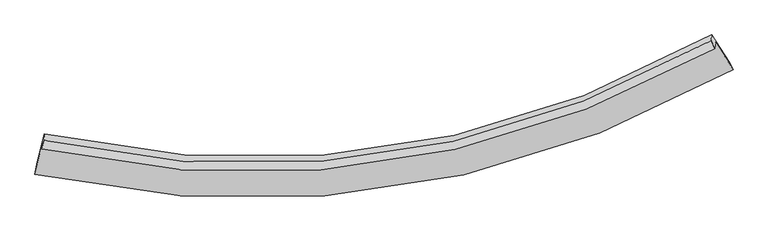
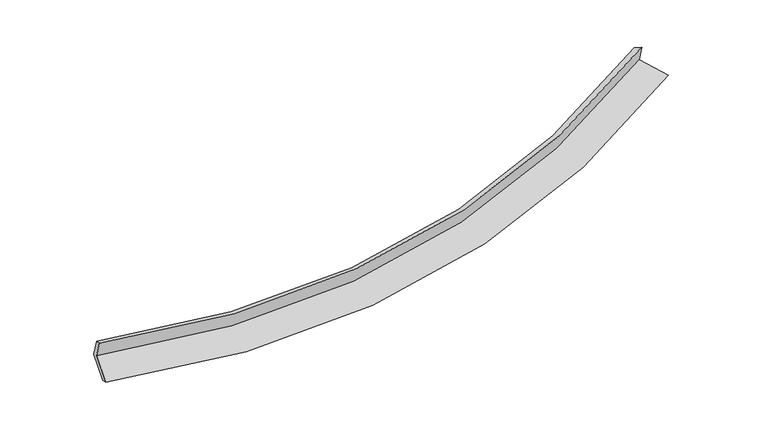
"""IFC4 building model written with IfcOpenShell, lengths in millimetres: proxy geometry."""

from ifc_helpers import new_model, si_unit, frame, origin, place, context, project, spatial, source, transform, mapped, element, save
from ifc_brep_helpers import plane_surface, spline_curve, spline_surface, advanced_brep


def generic_models_a386ed20(model_context):
    return source(origin(), model_context, "Body", "AdvancedBrep", [
        advanced_brep(
        [(-6352.6724426, -2022.4174189, 1525.667595), (-6503.3364183, -2646.4030933, 1316.6130734), (7416.2740978, -554.9445038, 2518.7051602), (7065.5977577, -13.4315507, 2683.1867625), (-6365.9300471, -2145.4326604, 1902.3979865), (7052.3168271, -136.6632314, 3060.5799924), (-6329.5850688, -1975.0784343, 1837.7919391), (6979.5670036, 18.8074739, 2983.3309585), (-6315.5722842, -1845.0559956, 1439.6022215), (6992.2304696, 136.3097968, 2623.4837103), (-6462.315636, -2452.8041245, 1235.9877804), (7350.7490424, -417.3130995, 2455.3237789)],
        [
            (0, 1),
            (1, 2, spline_curve(3, [(-6503.3364183, -2646.4030933, 1316.6130734), (-4539.447711337, -3079.34474223, 1259.713814314), (-2614.604916189, -3225.235102668, 1290.574410095), (2072.371812798, -2874.39245025, 1585.394755996), (4787.399190168, -2031.34922625, 1955.231522971), (7416.2740978, -554.9445038, 2518.7051602)], [4, 2, 4], [0.0, 18.66536233321038, 46.39106136062732])),
            (2, 3),
            (3, 0, spline_curve(3, [(7065.5977577, -13.4315507, 2683.1867625), (4529.85208312, -1426.378974144, 2134.042199049), (1911.985940944, -2234.070854323, 1775.277674659), (-2605.672727855, -2572.790409021, 1493.534194225), (-4460.563318354, -2434.760486012, 1466.45899569), (-6352.6724426, -2022.4174189, 1525.667595)], [4, 2, 4], [0.0, 27.72569902741694, 46.39106136062732])),
            (4, 0),
            (3, 5),
            (5, 4, spline_curve(3, [(7052.3168271, -136.6632314, 3060.5799924), (4516.641605787, -1548.956929986, 2509.433417486), (1898.806586839, -2356.36001453, 2149.784468295), (-2618.865809846, -2695.20696113, 1868.431115999), (-4473.779749546, -2557.393685943, 1842.019396968), (-6365.9300471, -2145.4326604, 1902.3979865)], [4, 2, 4], [0.0, 27.21283095102246, 45.5329226937394])),
            (6, 4),
            (5, 7),
            (7, 6, spline_curve(3, [(6979.5670036, 18.8074739, 2983.3309585), (4465.308448804, -1392.195451947, 2436.737141885), (1869.079492652, -2197.307127118, 2080.425292384), (-2612.124412022, -2530.645769282, 1802.621570971), (-4452.279480193, -2390.162730717, 1777.087079629), (-6329.5850688, -1975.0784343, 1837.7919391)], [4, 2, 4], [0.0, 27.10671434175799, 45.35536676893109])),
            (8, 6),
            (7, 9),
            (9, 8, spline_curve(3, [(6992.2304696, 136.3097968, 2623.4837103), (4477.978690592, -1274.630262427, 2076.697365861), (1881.91311317, -2078.225966299, 1715.742901706), (-2598.755390442, -2406.596706204, 1422.725132455), (-4438.624065271, -2263.456267266, 1389.052433027), (-6315.5722842, -1845.0559956, 1439.6022215)], [4, 2, 4], [0.0, 27.000757158025085, 45.1780775973473])),
            (10, 8),
            (9, 11),
            (11, 10, spline_curve(3, [(7350.7490424, -417.3130995, 2455.3237789), (4738.281836896, -1886.602540129, 1886.028061978), (2042.541688356, -2720.119303208, 1511.795687513), (-2607.345290914, -3050.987713521, 1212.007339235), (-4515.960035174, -2895.967959091, 1179.794380239), (-6462.315636, -2452.8041245, 1235.9877804)], [4, 2, 4], [0.0, 27.514145211071337, 46.03708629707856])),
            (1, 10),
            (11, 2),
        ],
        [
            spline_surface(3, 3, [[(-6352.6724426, -2022.4174189, 1525.667595), (-4460.563318272, -2434.760485856, 1466.458995503), (-2605.672727576, -2572.790409314, 1493.534193984), (1911.985940529, -2234.070853887, 1775.277675018), (4529.852083247, -1426.378974367, 2134.042199034), (7065.5977577, -13.4315507, 2683.1867625)], [(-6402.893767811, -2230.412643673, 1455.982754448), (-4486.858115941, -2649.621904606, 1397.543935055), (-2608.650123869, -2790.271973869, 1425.880932579), (1965.447898047, -2447.511385904, 1711.983368785), (4615.701118914, -1628.035724885, 2074.438640351), (7182.489871067, -193.935868389, 2628.359561729)], [(-6453.115093089, -2438.407868527, 1386.297913952), (-4513.152913678, -2864.483323437, 1328.628874663), (-2611.627520118, -3007.753538363, 1358.227671239), (2018.909855609, -2660.951917861, 1648.689062617), (4701.550154581, -1829.692475436, 2014.835081681), (7299.381984433, -374.440186111, 2573.532360971)], [(-6503.3364183, -2646.4030933, 1316.6130734), (-4539.447711347, -3079.344742187, 1259.713814215), (-2614.604916411, -3225.235102918, 1290.574409834), (2072.371813128, -2874.392449879, 1585.394756383), (4787.399190248, -2031.349225954, 1955.231522998), (7416.2740978, -554.9445038, 2518.7051602)]], [4, 4], [4, 2, 4], [0.0, 2.2278601556292013], [0.0, 18.66536233321038, 46.39106136062732]),
            spline_surface(3, 3, [[(-6365.9300471, -2145.4326604, 1902.3979865), (-4473.779749381, -2557.393685899, 1842.019396797), (-2618.865810067, -2695.206960836, 1868.43111623), (1898.806587167, -2356.360014966, 2149.784467952), (4516.641605897, -1548.956930366, 2509.433417154), (7052.3168271, -136.6632314, 3060.5799924)], [(-6361.510845594, -2104.427579927, 1776.821189358), (-4469.374272338, -2516.515952578, 1716.83259639), (-2614.468115904, -2654.401443645, 1743.465475498), (1903.199704953, -2315.596961256, 2024.948870324), (4521.045098352, -1508.097611726, 2384.303011141), (7056.743803972, -95.586004526, 2934.782249127)], [(-6357.091644106, -2063.422499373, 1651.244392142), (-4464.968795315, -2475.638219177, 1591.64579591), (-2610.070421739, -2613.595926506, 1618.499834715), (1907.592822743, -2274.833907597, 1900.113272646), (4525.448590792, -1467.238293007, 2259.172605047), (7061.170780828, -54.508777574, 2808.984505773)], [(-6352.6724426, -2022.4174189, 1525.667595), (-4460.563318272, -2434.760485856, 1466.458995503), (-2605.672727576, -2572.790409314, 1493.534193984), (1911.985940529, -2234.070853887, 1775.277675018), (4529.852083247, -1426.378974367, 2134.042199034), (7065.5977577, -13.4315507, 2683.1867625)]], [4, 4], [4, 2, 4], [0.0, 1.2939851940025346], [0.0, 18.32009174271694, 45.5329226937394]),
            spline_surface(3, 3, [[(-6329.5850688, -1975.0784343, 1837.7919391), (-4452.279480229, -2390.162730894, 1777.08707988), (-2612.124412281, -2530.645769471, 1802.621570786), (1869.079493038, -2197.307126838, 2080.425292659), (4465.308449229, -1392.195452187, 2436.737141552), (6979.5670036, 18.8074739, 2983.3309585)], [(-6341.700061593, -2031.863176326, 1859.327288237), (-4459.446236639, -2445.906382555, 1798.731185523), (-2614.371544853, -2585.499499922, 1824.558085908), (1878.988524438, -2250.324756209, 2103.54501773), (4482.41950144, -1444.449278234, 2460.969233422), (7003.816944755, -33.016094521, 3009.08063647)], [(-6353.815054307, -2088.647918374, 1880.862637363), (-4466.612992971, -2501.650034238, 1820.375291154), (-2616.618677496, -2640.353230386, 1846.494601108), (1888.897555767, -2303.342385594, 2126.66474288), (4499.530553686, -1496.703104319, 2485.201325284), (7028.066885945, -84.839662979, 3034.83031443)], [(-6365.9300471, -2145.4326604, 1902.3979865), (-4473.779749381, -2557.393685899, 1842.019396797), (-2618.865810067, -2695.206960836, 1868.43111623), (1898.806587167, -2356.360014966, 2149.784467952), (4516.641605897, -1548.956930366, 2509.433417154), (7052.3168271, -136.6632314, 3060.5799924)]], [4, 4], [4, 2, 4], [0.0, 0.5765454691483097], [0.0, 18.248652427173102, 45.35536676893109]),
            spline_surface(3, 3, [[(-6315.5722842, -1845.0559956, 1439.6022215), (-4438.624065031, -2263.456267052, 1389.052433242), (-2598.75539073, -2406.596706436, 1422.725132419), (1881.913113599, -2078.225965954, 1715.742901759), (4477.97869052, -1274.630262423, 2076.697365514), (6992.2304696, 136.3097968, 2623.4837103)], [(-6320.243212374, -1888.396808505, 1572.33212734), (-4443.175870071, -2305.691755005, 1518.397315429), (-2603.211731262, -2447.946394124, 1549.357278551), (1877.635240064, -2117.919686258, 1837.303698735), (4473.755276756, -1313.818659013, 2196.710624167), (6988.009314267, 97.142355832, 2743.432793007)], [(-6324.914140626, -1931.737621395, 1705.06203326), (-4447.727675188, -2347.927242941, 1647.742197694), (-2607.66807175, -2489.296081783, 1675.989424655), (1873.357366573, -2157.613406534, 1958.864495683), (4469.531862993, -1353.007055597, 2316.7238829), (6983.788158933, 57.974914868, 2863.381875793)], [(-6329.5850688, -1975.0784343, 1837.7919391), (-4452.279480229, -2390.162730894, 1777.08707988), (-2612.124412281, -2530.645769471, 1802.621570786), (1869.079493038, -2197.307126838, 2080.425292659), (4465.308449229, -1392.195452187, 2436.737141552), (6979.5670036, 18.8074739, 2983.3309585)]], [4, 4], [4, 2, 4], [0.0, 1.2765783896869385], [0.0, 18.177320439322212, 45.1780775973473]),
            spline_surface(3, 3, [[(-6462.315636, -2452.8041245, 1235.9877804), (-4515.960034991, -2895.967958986, 1179.794380386), (-2607.345291025, -3050.987713421, 1212.007339027), (2042.54168852, -2720.119303357, 1511.795687822), (4738.28183735, -1886.602540533, 1886.028062005), (7350.7490424, -417.3130995, 2455.3237789)], [(-6413.401185423, -2250.22141487, 1303.859260789), (-4490.18137836, -2685.130728345, 1249.547064694), (-2604.481990917, -2836.190711104, 1282.246603495), (1988.998830223, -2506.154857567, 1579.778092472), (4651.514121738, -1682.611781145, 1949.584496527), (7231.242851465, -232.772134049, 2511.377089385)], [(-6364.486734777, -2047.63870523, 1371.730741111), (-4464.402721661, -2474.293497693, 1319.299748934), (-2601.618690838, -2621.393708753, 1352.485867951), (1935.455971896, -2292.190411744, 1647.760497109), (4564.746406132, -1478.621021811, 2013.140930993), (7111.736660535, -48.231168651, 2567.430399815)], [(-6315.5722842, -1845.0559956, 1439.6022215), (-4438.624065031, -2263.456267052, 1389.052433242), (-2598.75539073, -2406.596706436, 1422.725132419), (1881.913113599, -2078.225965954, 1715.742901759), (4477.97869052, -1274.630262423, 2076.697365514), (6992.2304696, 136.3097968, 2623.4837103)]], [4, 4], [4, 2, 4], [0.0, 2.2350440513122662], [0.0, 18.522941086007222, 46.03708629707856]),
            spline_surface(3, 3, [[(-6503.3364183, -2646.4030933, 1316.6130734), (-4539.447711347, -3079.344742187, 1259.713814215), (-2614.604916411, -3225.235102918, 1290.574409834), (2072.371813128, -2874.392449879, 1585.394756383), (4787.399190248, -2031.349225954, 1955.231522998), (7416.2740978, -554.9445038, 2518.7051602)], [(-6489.662824205, -2581.870103699, 1289.737975728), (-4531.618485901, -3018.219147786, 1233.074002933), (-2612.185041286, -3167.152639733, 1264.385386249), (2062.428438255, -2822.968067685, 1560.861733547), (4771.026739291, -1983.100330827, 1932.16370265), (7394.432412675, -509.067369047, 2497.578033083)], [(-6475.989230095, -2517.337114101, 1262.862878072), (-4523.789260437, -2957.093553387, 1206.434191667), (-2609.76516615, -3109.070176606, 1238.196362612), (2052.485063393, -2771.54368555, 1536.328710658), (4754.654288308, -1934.851435659, 1909.095882353), (7372.590727525, -463.190234253, 2476.450906017)], [(-6462.315636, -2452.8041245, 1235.9877804), (-4515.960034991, -2895.967958986, 1179.794380386), (-2607.345291025, -3050.987713421, 1212.007339027), (2042.54168852, -2720.119303357, 1511.795687822), (4738.28183735, -1886.602540533, 1886.028062005), (7350.7490424, -417.3130995, 2455.3237789)]], [4, 4], [4, 2, 4], [0.0, 0.584474685627155], [0.0, 18.939509481012696, 47.07242917596888]),
            plane_surface(frame((7142.7891997, -161.2058525, 2720.7683938), z_axis=(0.8493846421242762, 0.4921570595280585, 0.19059684803298937), x_axis=(-0.03343423662496357, -0.3102310590241267, 0.9500730718413584))),
            plane_surface(frame((-6388.2353162, -2181.1986212, 1543.0100993), z_axis=(-0.9742054245064456, 0.22238351521360986, 0.038332271305705906), x_axis=(0.22317245054784043, 0.9242847300361219, 0.30966400362090035))),
        ],
        [
            (0, [[1, 2, 3, 4]]),
            (1, [[5, -4, 6, 7]]),
            (2, [[8, -7, 9, 10]]),
            (3, [[11, -10, 12, 13]]),
            (4, [[14, -13, 15, 16]]),
            (5, [[17, -16, 18, -2]]),
            (6, [[-12, -9, -6, -3, -18, -15]]),
            (7, [[-1, -5, -8, -11, -14, -17]]),
        ],
    ),
    ])


if __name__ == "__main__":
    model = new_model("IFC4")
    model_context = context("Model", 3, world=origin())
    ifc_project = project(units=[si_unit("LENGTHUNIT", "METRE", prefix="MILLI")], contexts=[model_context])
    site = spatial("IfcSite", under=ifc_project)
    building = spatial("IfcBuilding", under=site)
    placement = place(None, origin())
    generic_models_shape = generic_models_a386ed20(model_context)
    element("IfcBuildingElementProxy", 1, Name="Generic Models", at=placement, inside=building, context=model_context, shape_type="MappedRepresentation", body=[
        mapped(generic_models_shape, transform((0.0, 0.0, 0.0), x_axis=(1.0, 0.0, 0.0), y_axis=(0.0, 1.0, 0.0), z_axis=(0.0, 0.0, 1.0))),
    ])
    save(model, "model.ifc")
